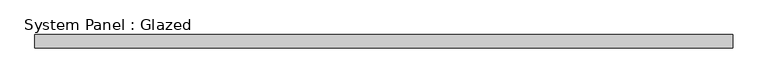
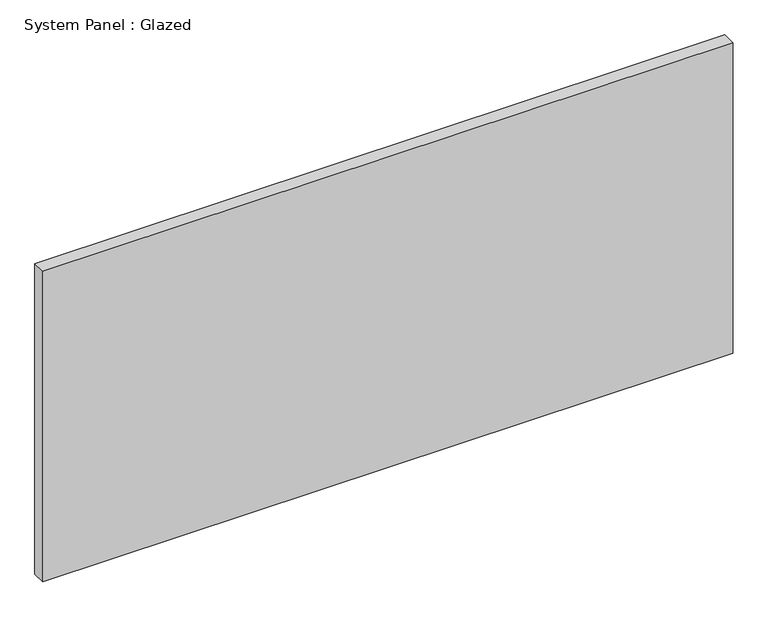
"""IFC4 building model written with IfcOpenShell, lengths in millimetres: plate geometry, System Panel : Glazed."""

import ifcopenshell
import ifcopenshell.guid

model = None  # the IFC model being written
_history = None  # IfcOwnerHistory: only IFC2X3 demands one
_inside = {}  # id of a spatial element -> (the spatial element, [elements in it])
_under = {}  # id of a project, library or spatial element -> (it, [spatial elements below it])
_declared = {}  # id of a project -> (the project, [libraries it declares])
_typed = {}  # id of a type object -> (the type object, [elements of that type])
_made_of = {}  # id of a material, layer set ... -> (it, [elements and type objects made of it])


def new_model(schema):
    """Start an empty IFC model of exactly this schema.

    Asked for "IFC4X3", IfcOpenShell would pick the latest addendum, in which some entities
    have other attributes; the version numbers below select the first issue.
    IFC2X3 requires an IfcOwnerHistory on every rooted entity: one is made here for all.
    """
    global model, _history
    if schema == "IFC4X3":
        model = ifcopenshell.file(schema_version=(4, 3, 0, 0))
    else:
        model = ifcopenshell.file(schema=schema)
    _inside.clear()
    _under.clear()
    _declared.clear()
    _typed.clear()
    _made_of.clear()
    _history = None
    if model.schema == "IFC2X3":
        org = make("IfcOrganization", Name="unknown")
        user = make(
            "IfcPersonAndOrganization",
            ThePerson=make("IfcPerson", FamilyName="unknown"),
            TheOrganization=org,
        )
        app = make(
            "IfcApplication",
            ApplicationDeveloper=org,
            Version="unknown",
            ApplicationFullName="unknown",
            ApplicationIdentifier="unknown",
        )
        _history = make(
            "IfcOwnerHistory",
            OwningUser=user,
            OwningApplication=app,
            ChangeAction="ADDED",
            CreationDate=0,
        )
    return model


def make(cls, **values):
    """One entity of the class cls with the attributes given. An attribute that is None is left unset."""
    return model.create_entity(
        cls, **{name: value for name, value in values.items() if value is not None}
    )


def rooted(cls, **values):
    """An entity with a GlobalId (a new one), such as an element, a storey or a relation."""
    return make(cls, GlobalId=ifcopenshell.guid.new(), OwnerHistory=_history, **values)


def si_unit(unit_type, name, prefix=None):
    """IfcSIUnit, for example si_unit("LENGTHUNIT", "METRE", prefix="MILLI")."""
    return make("IfcSIUnit", UnitType=unit_type, Prefix=prefix, Name=name)


def assignment(units):
    """IfcUnitAssignment: the units of a project."""
    return None if units is None else make("IfcUnitAssignment", Units=units)


def point(xyz):
    """IfcCartesianPoint."""
    return None if xyz is None else make("IfcCartesianPoint", Coordinates=xyz)


def direction(xyz):
    """IfcDirection."""
    return None if xyz is None else make("IfcDirection", DirectionRatios=xyz)


def frame(location, z_axis=None, x_axis=None):
    """IfcAxis2Placement3D, a coordinate frame: its origin and axes. An axis left out is left unset."""
    return make(
        "IfcAxis2Placement3D",
        Location=point(location),
        Axis=direction(z_axis),
        RefDirection=direction(x_axis),
    )


def origin():
    """The frame at (0, 0, 0) with its axes left unset."""
    return frame((0.0, 0.0, 0.0))


def origin_with_axes():
    """The frame at (0, 0, 0) with the z axis (0, 0, 1) and the x axis (1, 0, 0) written out."""
    return frame((0.0, 0.0, 0.0), z_axis=(0.0, 0.0, 1.0), x_axis=(1.0, 0.0, 0.0))


def place(relative_to, where):
    """IfcLocalPlacement: puts the frame where relative to a parent placement (None: the world)."""
    return make(
        "IfcLocalPlacement", PlacementRelTo=relative_to, RelativePlacement=where
    )


def context(
    kind, dimensions, precision=None, world=None, true_north=None, identifier=None
):
    """IfcGeometricRepresentationContext, for example the 3D "Model" context."""
    return make(
        "IfcGeometricRepresentationContext",
        ContextIdentifier=identifier,
        ContextType=kind,
        CoordinateSpaceDimension=dimensions,
        Precision=precision,
        WorldCoordinateSystem=world,
        TrueNorth=true_north,
    )


def project(units=None, contexts=None):
    """IfcProject with its units and contexts."""
    return rooted(
        "IfcProject",
        Name="project",
        RepresentationContexts=contexts,
        UnitsInContext=assignment(units),
    )


def spatial(cls, under=None, at=None, **own):
    """A site, building, storey or space (cls), placed at a placement, below another one or the project."""
    s = rooted(cls, ObjectPlacement=at, **own)
    if under is not None:
        _under.setdefault(under.id(), (under, []))[1].append(s)
    return s


def polyline(points):
    """IfcPolyline through the points."""
    return make("IfcPolyline", Points=[point(p) for p in points])


def outline(outer, holes=None, kind="AREA"):
    """IfcArbitraryClosedProfileDef: a profile drawn as a closed curve; with holes, ...WithVoids."""
    if holes is None:
        return make("IfcArbitraryClosedProfileDef", ProfileType=kind, OuterCurve=outer)
    return make(
        "IfcArbitraryProfileDefWithVoids",
        ProfileType=kind,
        OuterCurve=outer,
        InnerCurves=holes,
    )


def extrude(swept, where, along, depth):
    """IfcExtrudedAreaSolid: the profile swept, set in the frame where, extruded along a direction by depth."""
    return make(
        "IfcExtrudedAreaSolid",
        SweptArea=swept,
        Position=where,
        ExtrudedDirection=direction(along),
        Depth=depth,
    )


def shape(context_of_items, identifier, shape_type, items):
    """IfcShapeRepresentation: the items that make up one representation, for example the "Body"."""
    return make(
        "IfcShapeRepresentation",
        ContextOfItems=context_of_items,
        RepresentationIdentifier=identifier,
        RepresentationType=shape_type,
        Items=items,
    )


def source(mapping_origin, context_of_items, identifier, shape_type, items):
    """IfcRepresentationMap: a shape defined once, which mapped items show again and again."""
    return make(
        "IfcRepresentationMap",
        MappingOrigin=mapping_origin,
        MappedRepresentation=shape(context_of_items, identifier, shape_type, items),
    )


def transform(
    local_origin,
    x_axis=None,
    y_axis=None,
    z_axis=None,
    scale=None,
    scale2=None,
    scale3=None,
    uniform=True,
):
    """IfcCartesianTransformationOperator3D, or its non-uniform kind. x_axis, y_axis, z_axis: its Axis1, 2, 3."""
    if uniform:
        return make(
            "IfcCartesianTransformationOperator3D",
            Axis1=direction(x_axis),
            Axis2=direction(y_axis),
            LocalOrigin=point(local_origin),
            Scale=scale,
            Axis3=direction(z_axis),
        )
    return make(
        "IfcCartesianTransformationOperator3DnonUniform",
        Axis1=direction(x_axis),
        Axis2=direction(y_axis),
        LocalOrigin=point(local_origin),
        Scale=scale,
        Axis3=direction(z_axis),
        Scale2=scale2,
        Scale3=scale3,
    )


def mapped(mapping_source, mapping_target):
    """IfcMappedItem: shows the shape of a source again, moved by a transform."""
    return make(
        "IfcMappedItem", MappingSource=mapping_source, MappingTarget=mapping_target
    )


def made_of(thing, what):
    """Note that an element or type object is made of a material, layer set ...; save() writes the relation."""
    if what is not None:
        _made_of.setdefault(what.id(), (what, []))[1].append(thing)
    return thing


def element(
    cls,
    number,
    at=None,
    inside=None,
    cuts=None,
    type_object=None,
    material=None,
    context=None,
    identifier="Body",
    shape_type=None,
    held_by="IfcProductDefinitionShape",
    body=None,
    shapes=None,
    **own,
):
    """One element of the class cls, such as IfcWall. Its Tag is "e" and its number.

    at: its placement. inside: the storey or other place that contains it. cuts: it is an
    opening in that element (IfcRelVoidsElement). A single representation is given by context,
    identifier, shape_type and body (its items); several are given by shapes. held_by: the class
    of the entity that holds the representations. save() writes the other relations.
    """
    e = rooted(cls, Tag="e%d" % number, ObjectPlacement=at, **own)
    if body is not None:
        shapes = [shape(context, identifier, shape_type, body)]
    if shapes is not None:
        e.Representation = make(held_by, Representations=shapes)
    if inside is not None:
        _inside.setdefault(inside.id(), (inside, []))[1].append(e)
    if cuts is not None:
        rooted(
            "IfcRelVoidsElement", RelatingBuildingElement=cuts, RelatedOpeningElement=e
        )
    if type_object is not None:
        _typed.setdefault(type_object.id(), (type_object, []))[1].append(e)
    return made_of(e, material)


def aggregate(whole, parts):
    """IfcRelAggregates: a whole, such as a stair, and the parts it consists of."""
    return rooted("IfcRelAggregates", RelatingObject=whole, RelatedObjects=parts)


def save(model, path):
    """Write the relations noted so far, then the file.

    IfcRelAggregates (storeys below a building ...), IfcRelContainedInSpatialStructure (elements
    in a storey), IfcRelDefinesByType, IfcRelAssociatesMaterial and IfcRelDeclares: one each for
    every whole, place, type object, material and project.
    """
    for whole, parts in _under.values():
        aggregate(whole, parts)
    for where, things in _inside.values():
        rooted(
            "IfcRelContainedInSpatialStructure",
            RelatedElements=things,
            RelatingStructure=where,
        )
    for kind, things in _typed.values():
        rooted("IfcRelDefinesByType", RelatedObjects=things, RelatingType=kind)
    for what, things in _made_of.values():
        rooted("IfcRelAssociatesMaterial", RelatedObjects=things, RelatingMaterial=what)
    for by, libraries in _declared.values():
        rooted("IfcRelDeclares", RelatingContext=by, RelatedDefinitions=libraries)
    model.write(path)


def system_panel_glazed_f3674cde(model_context):
    return source(origin(), model_context, "Body", "SweptSolid", [
        extrude(outline(polyline([(654.05, 19.05), (-654.05, 19.05), (-654.05, 44.45), (654.05, 44.45), (654.05, 19.05)])), origin_with_axes(), (0.0, 0.0, 1.0), 622.3),
    ])


if __name__ == "__main__":
    model = new_model("IFC4")
    model_context = context("Model", 3, world=origin())
    ifc_project = project(units=[si_unit("LENGTHUNIT", "METRE", prefix="MILLI")], contexts=[model_context])
    site = spatial("IfcSite", under=ifc_project)
    building = spatial("IfcBuilding", under=site)
    placement = place(None, origin())
    system_panel_glazed_shape = system_panel_glazed_f3674cde(model_context)
    element("IfcPlate", 1, ObjectType="System Panel : Glazed", at=placement, inside=building, context=model_context, shape_type="MappedRepresentation", body=[
        mapped(system_panel_glazed_shape, transform((0.0, 0.0, 0.0), x_axis=(1.0, 0.0, 0.0), y_axis=(0.0, 1.0, 0.0), z_axis=(0.0, 0.0, 1.0))),
    ])
    save(model, "model.ifc")
